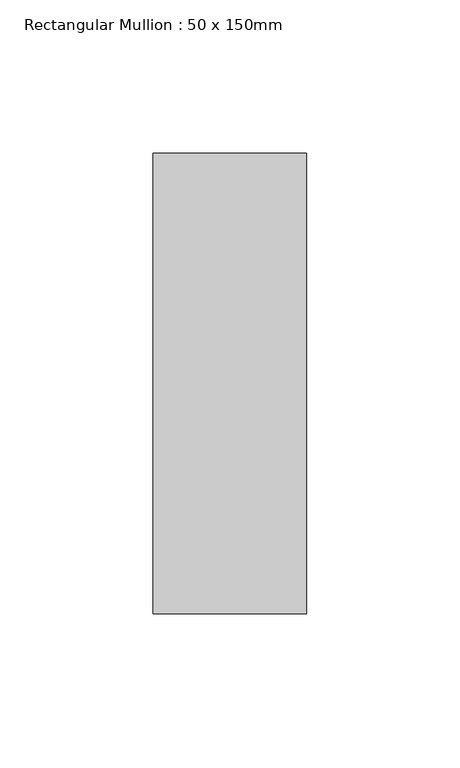
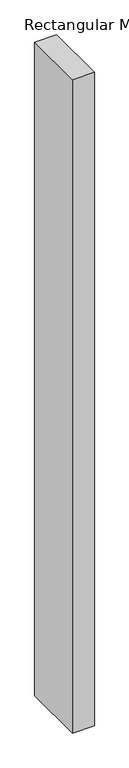
"""IFC4 building model written with IfcOpenShell, lengths in millimetres: member geometry, Rectangular Mullion : 50 x 150mm."""

from ifc_helpers import new_model, si_unit, frame, origin, place, context, project, spatial, polyline, outline, extrude, source, transform, mapped, element, save


def rectangular_mullion_50_x_150mm_dec09679(model_context):
    return source(origin(), model_context, "Body", "SweptSolid", [
        extrude(outline(polyline([(25.0, 75.0), (25.0, -75.0), (-25.0, -75.0), (-25.0, 75.0), (25.0, 75.0)])), frame((0.0, 0.0, -1581.050088), z_axis=(0.0, 0.0, 1.0), x_axis=(1.0, 0.0, 0.0)), (0.0, 0.0, 1.0), 1581.050088),
    ])


if __name__ == "__main__":
    model = new_model("IFC4")
    model_context = context("Model", 3, world=origin())
    ifc_project = project(units=[si_unit("LENGTHUNIT", "METRE", prefix="MILLI")], contexts=[model_context])
    site = spatial("IfcSite", under=ifc_project)
    building = spatial("IfcBuilding", under=site)
    placement = place(None, origin())
    rectangular_mullion_50_x_150mm_shape = rectangular_mullion_50_x_150mm_dec09679(model_context)
    element("IfcMember", 1, ObjectType="Rectangular Mullion : 50 x 150mm", at=placement, inside=building, context=model_context, shape_type="MappedRepresentation", body=[
        mapped(rectangular_mullion_50_x_150mm_shape, transform((0.0, 0.0, 0.0), x_axis=(1.0, 0.0, 0.0), y_axis=(0.0, 1.0, 0.0), z_axis=(0.0, 0.0, 1.0))),
    ])
    save(model, "model.ifc")
